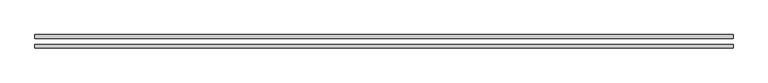
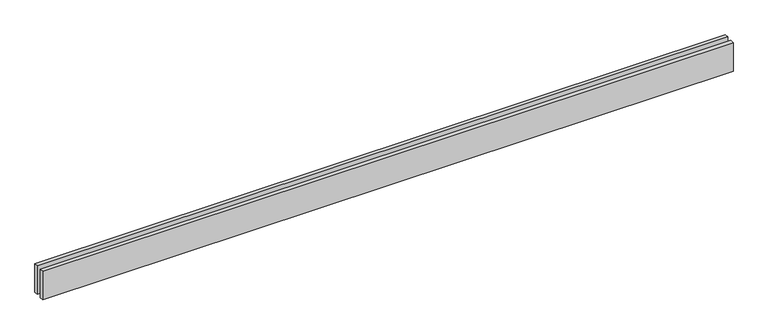
"""IFC4 building model written with IfcOpenShell, lengths in millimetres: proxy geometry."""

from ifc_helpers import new_model, si_unit, origin, origin_with_axes, place, context, project, spatial, polyline, outline, extrude, source, transform, mapped, element, save


def generic_models_7f9b0e40(model_context):
    return source(origin(), model_context, "Body", "SweptSolid", [
        extrude(outline(polyline([(5713.422792, -25.0), (5713.422792, -55.0), (0.0, -55.0), (0.0, -25.0), (5713.422792, -25.0)])), origin_with_axes(), (0.0, 0.0, 1.0), 250.0),
        extrude(outline(polyline([(5713.422792, 55.0), (5713.422792, 25.0), (0.0, 25.0), (0.0, 55.0), (5713.422792, 55.0)])), origin_with_axes(), (0.0, 0.0, 1.0), 250.0),
    ])


if __name__ == "__main__":
    model = new_model("IFC4")
    model_context = context("Model", 3, world=origin())
    ifc_project = project(units=[si_unit("LENGTHUNIT", "METRE", prefix="MILLI")], contexts=[model_context])
    site = spatial("IfcSite", under=ifc_project)
    building = spatial("IfcBuilding", under=site)
    placement = place(None, origin())
    generic_models_shape = generic_models_7f9b0e40(model_context)
    element("IfcBuildingElementProxy", 1, Name="Generic Models", at=placement, inside=building, context=model_context, shape_type="MappedRepresentation", body=[
        mapped(generic_models_shape, transform((0.0, 0.0, 0.0), x_axis=(1.0, 0.0, 0.0), y_axis=(0.0, 1.0, 0.0), z_axis=(0.0, 0.0, 1.0))),
    ])
    save(model, "model.ifc")
